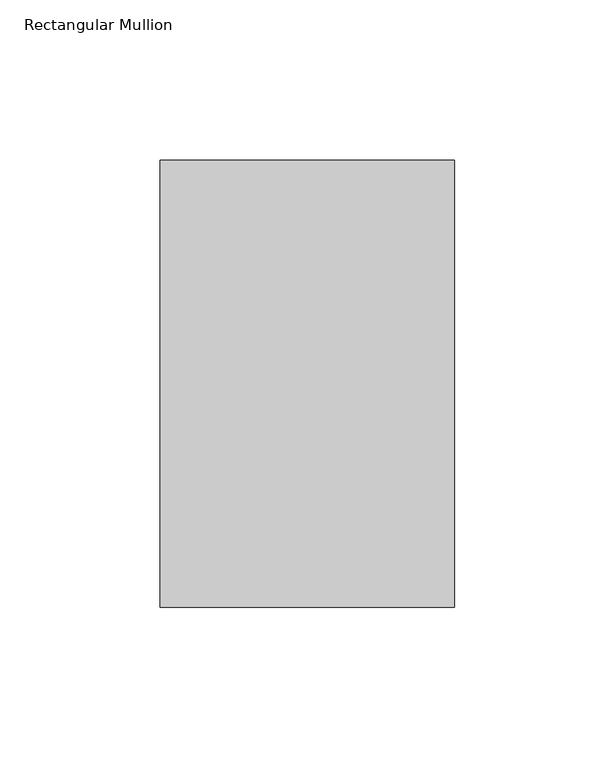
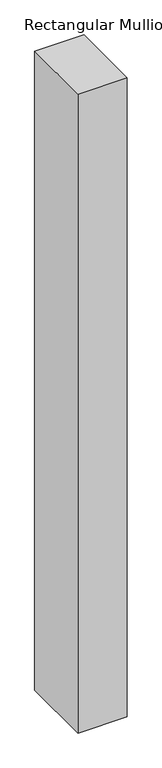
"""IFC4 building model written with IfcOpenShell, lengths in millimetres: member geometry, Rectangular Mullion."""

from ifc_helpers import new_model, si_unit, frame, origin, place, context, project, spatial, polyline, outline, extrude, source, transform, mapped, element, save


def rectangular_mullion_d083bb7c(model_context):
    return source(origin(), model_context, "Body", "SweptSolid", [
        extrude(outline(polyline([(0.0, 190.4182179), (0.0, 50.8198168), (-92.0626246, 50.8198168), (-92.0626246, 190.4182179), (0.0, 190.4182179)])), frame((0.0, 0.0, -1263.65), z_axis=(0.0, 0.0, 1.0), x_axis=(1.0, 0.0, 0.0)), (0.0, 0.0, 1.0), 1263.65),
    ])


if __name__ == "__main__":
    model = new_model("IFC4")
    model_context = context("Model", 3, world=origin())
    ifc_project = project(units=[si_unit("LENGTHUNIT", "METRE", prefix="MILLI")], contexts=[model_context])
    site = spatial("IfcSite", under=ifc_project)
    building = spatial("IfcBuilding", under=site)
    placement = place(None, origin())
    rectangular_mullion_shape = rectangular_mullion_d083bb7c(model_context)
    element("IfcMember", 1, ObjectType="Rectangular Mullion", at=placement, inside=building, context=model_context, shape_type="MappedRepresentation", body=[
        mapped(rectangular_mullion_shape, transform((0.0, 0.0, 0.0), x_axis=(1.0, 0.0, 0.0), y_axis=(0.0, 1.0, 0.0), z_axis=(0.0, 0.0, 1.0))),
    ])
    save(model, "model.ifc")
